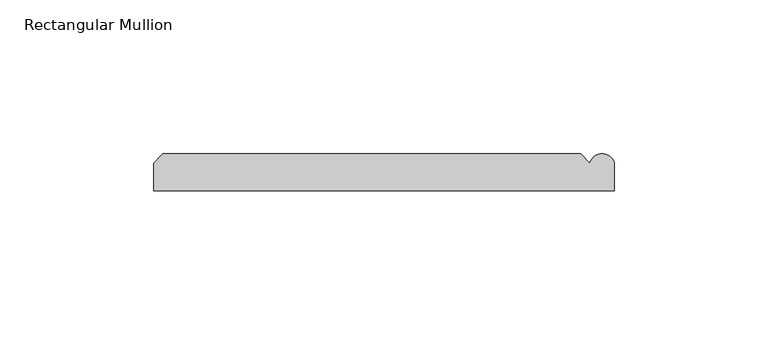
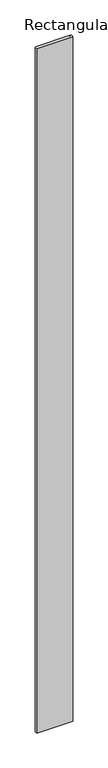
"""IFC4 building model written with IfcOpenShell, lengths in millimetres: member geometry, Rectangular Mullion."""

from ifc_helpers import new_model, si_unit, point, frame, frame_2d, origin, place, context, project, spatial, polyline, circle_curve, trimmed, segment, composite_curve, outline, extrude, source, transform, mapped, element, save


def rectangular_mullion_1d0fae20(model_context):
    return source(origin(), model_context, "Body", "SweptSolid", [
        extrude(outline(composite_curve([segment(polyline([(63.9809918, 12.0), (66.9809918, 9.0)]), True, "CONTINUOUS"), segment(trimmed(circle_curve(frame_2d((70.9809918, 8.0)), 4.1231056), [point((66.9809918, 9.0))], [point((74.9809918, 9.0))], False, "CARTESIAN"), True, "CONTINUOUS"), segment(polyline([(74.9809918, 9.0), (74.9809918, 0.0), (-75.0190082, 0.0), (-75.0190082, 9.00681), (-72.0258182, 12.0), (63.9809918, 12.0)]), True, "CONTINUOUS")], self_intersect=False)), frame((0.0, 0.0, -3000.0), z_axis=(0.0, 0.0, 1.0), x_axis=(1.0, 0.0, 0.0)), (0.0, 0.0, 1.0), 3000.0),
    ])


if __name__ == "__main__":
    model = new_model("IFC4")
    model_context = context("Model", 3, world=origin())
    ifc_project = project(units=[si_unit("LENGTHUNIT", "METRE", prefix="MILLI")], contexts=[model_context])
    site = spatial("IfcSite", under=ifc_project)
    building = spatial("IfcBuilding", under=site)
    placement = place(None, origin())
    rectangular_mullion_shape = rectangular_mullion_1d0fae20(model_context)
    element("IfcMember", 1, ObjectType="Rectangular Mullion", at=placement, inside=building, context=model_context, shape_type="MappedRepresentation", body=[
        mapped(rectangular_mullion_shape, transform((0.0, 0.0, 0.0), x_axis=(1.0, 0.0, 0.0), y_axis=(0.0, 1.0, 0.0), z_axis=(0.0, 0.0, 1.0))),
    ])
    save(model, "model.ifc")
